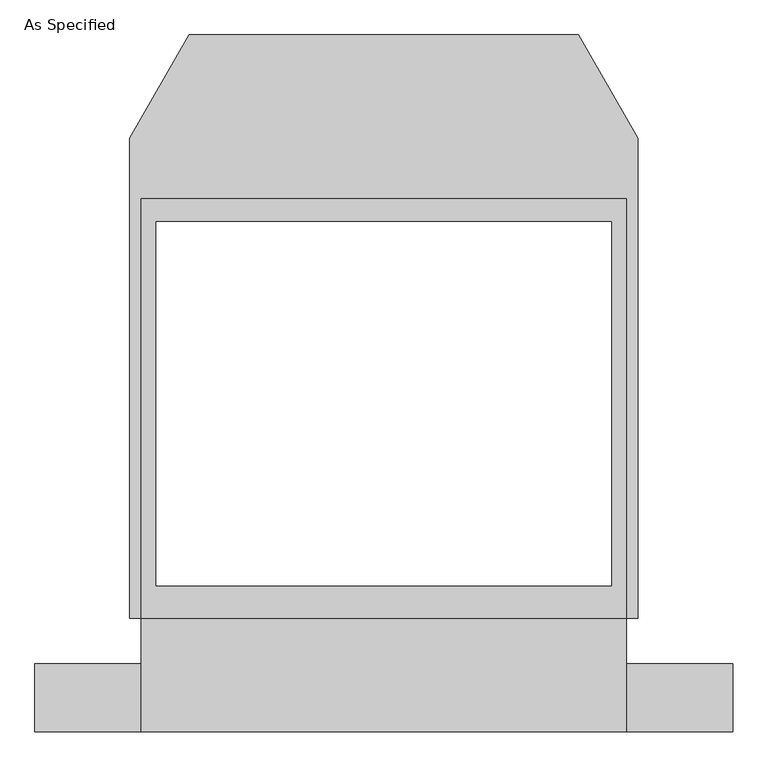
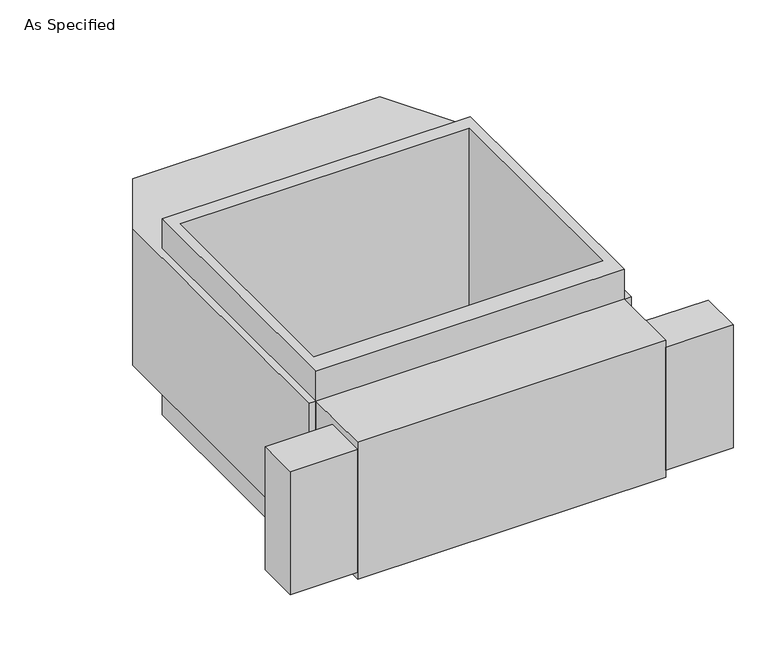
"""IFC4 building model written with IfcOpenShell, lengths in millimetres: proxy geometry, As Specified."""

from ifc_helpers import new_model, si_unit, frame, origin, place, context, project, spatial, polyline, outline, extrude, source, transform, mapped, element, save


def as_specified_c0102963(model_context):
    return source(origin(), model_context, "Body", "SweptSolid", [
        extrude(outline(polyline([(812.8, -1166.5148438), (812.8, -937.9148438), (1168.4, -937.9148438), (1168.4, -1166.5148438), (812.8, -1166.5148438)])), frame((0.0, 0.0, -749.3), z_axis=(0.0, 0.0, 1.0), x_axis=(1.0, 0.0, 0.0)), (0.0, 0.0, 1.0), 685.8),
        extrude(outline(polyline([(-812.8, -1166.5148438), (-1168.4, -1166.5148438), (-1168.4, -937.9148438), (-812.8, -937.9148438), (-812.8, -1166.5148438)])), frame((0.0, 0.0, -749.3), z_axis=(0.0, 0.0, 1.0), x_axis=(1.0, 0.0, 0.0)), (0.0, 0.0, 1.0), 685.8),
        extrude(outline(polyline([(812.8, 617.8351562), (812.8, -785.5148438), (-812.8, -785.5148438), (-812.8, 617.8351562), (812.8, 617.8351562)]), holes=[polyline([(-762.0, 541.6748437), (-762.0, -677.5251563), (762.0, -677.5251563), (762.0, 541.6748437), (-762.0, 541.6748437)])]), frame((0.0, 0.0, -952.5), z_axis=(0.0, 0.0, 1.0), x_axis=(1.0, 0.0, 0.0)), (0.0, 0.0, 1.0), 1092.2),
        extrude(outline(polyline([(812.8, -1166.5148438), (-812.8, -1166.5148438), (-812.8, -785.5148438), (-850.9, -785.5148438), (-850.9, 821.0748437), (-651.460123, 1166.5148437), (651.460123, 1166.5148437), (850.9, 821.0748437), (850.9, -785.5148438), (812.8, -785.5148438), (812.8, -1166.5148438)]), holes=[polyline([(762.0, -677.5251563), (762.0, 541.6748437), (-762.0, 541.6748437), (-762.0, -677.5251563), (762.0, -677.5251563)])]), frame((0.0, 0.0, -787.4), z_axis=(0.0, 0.0, 1.0), x_axis=(1.0, 0.0, 0.0)), (0.0, 0.0, 1.0), 762.0),
    ])


if __name__ == "__main__":
    model = new_model("IFC4")
    model_context = context("Model", 3, world=origin())
    ifc_project = project(units=[si_unit("LENGTHUNIT", "METRE", prefix="MILLI")], contexts=[model_context])
    site = spatial("IfcSite", under=ifc_project)
    building = spatial("IfcBuilding", under=site)
    placement = place(None, origin())
    as_specified_shape = as_specified_c0102963(model_context)
    element("IfcBuildingElementProxy", 1, Name="As Specified", ObjectType="As Specified", at=placement, inside=building, context=model_context, shape_type="MappedRepresentation", body=[
        mapped(as_specified_shape, transform((0.0, 0.0, 0.0), x_axis=(1.0, 0.0, 0.0), y_axis=(0.0, 1.0, 0.0), z_axis=(0.0, 0.0, 1.0))),
    ])
    save(model, "model.ifc")
